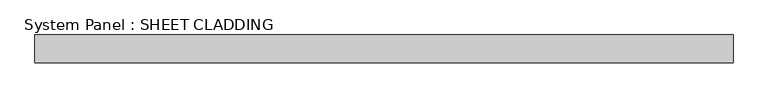
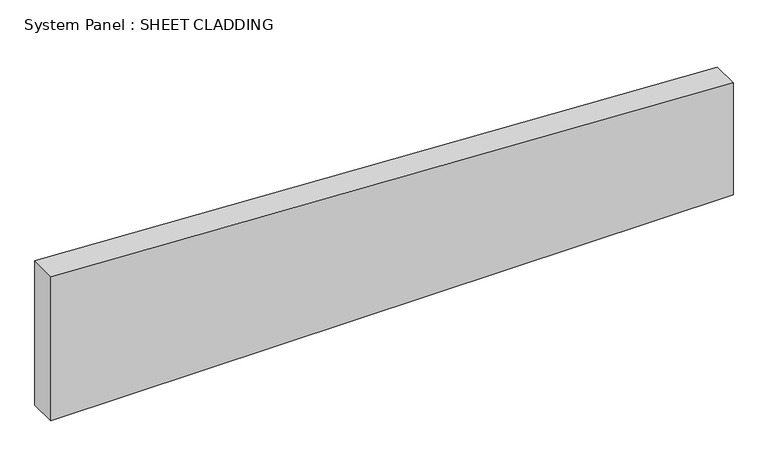
"""IFC4 building model written with IfcOpenShell, lengths in millimetres: plate geometry, System Panel : SHEET CLADDING."""

import ifcopenshell
import ifcopenshell.guid

model = None  # the IFC model being written
_history = None  # IfcOwnerHistory: only IFC2X3 demands one
_inside = {}  # id of a spatial element -> (the spatial element, [elements in it])
_under = {}  # id of a project, library or spatial element -> (it, [spatial elements below it])
_declared = {}  # id of a project -> (the project, [libraries it declares])
_typed = {}  # id of a type object -> (the type object, [elements of that type])
_made_of = {}  # id of a material, layer set ... -> (it, [elements and type objects made of it])


def new_model(schema):
    """Start an empty IFC model of exactly this schema.

    Asked for "IFC4X3", IfcOpenShell would pick the latest addendum, in which some entities
    have other attributes; the version numbers below select the first issue.
    IFC2X3 requires an IfcOwnerHistory on every rooted entity: one is made here for all.
    """
    global model, _history
    if schema == "IFC4X3":
        model = ifcopenshell.file(schema_version=(4, 3, 0, 0))
    else:
        model = ifcopenshell.file(schema=schema)
    _inside.clear()
    _under.clear()
    _declared.clear()
    _typed.clear()
    _made_of.clear()
    _history = None
    if model.schema == "IFC2X3":
        org = make("IfcOrganization", Name="unknown")
        user = make(
            "IfcPersonAndOrganization",
            ThePerson=make("IfcPerson", FamilyName="unknown"),
            TheOrganization=org,
        )
        app = make(
            "IfcApplication",
            ApplicationDeveloper=org,
            Version="unknown",
            ApplicationFullName="unknown",
            ApplicationIdentifier="unknown",
        )
        _history = make(
            "IfcOwnerHistory",
            OwningUser=user,
            OwningApplication=app,
            ChangeAction="ADDED",
            CreationDate=0,
        )
    return model


def make(cls, **values):
    """One entity of the class cls with the attributes given. An attribute that is None is left unset."""
    return model.create_entity(
        cls, **{name: value for name, value in values.items() if value is not None}
    )


def rooted(cls, **values):
    """An entity with a GlobalId (a new one), such as an element, a storey or a relation."""
    return make(cls, GlobalId=ifcopenshell.guid.new(), OwnerHistory=_history, **values)


def si_unit(unit_type, name, prefix=None):
    """IfcSIUnit, for example si_unit("LENGTHUNIT", "METRE", prefix="MILLI")."""
    return make("IfcSIUnit", UnitType=unit_type, Prefix=prefix, Name=name)


def assignment(units):
    """IfcUnitAssignment: the units of a project."""
    return None if units is None else make("IfcUnitAssignment", Units=units)


def point(xyz):
    """IfcCartesianPoint."""
    return None if xyz is None else make("IfcCartesianPoint", Coordinates=xyz)


def direction(xyz):
    """IfcDirection."""
    return None if xyz is None else make("IfcDirection", DirectionRatios=xyz)


def frame(location, z_axis=None, x_axis=None):
    """IfcAxis2Placement3D, a coordinate frame: its origin and axes. An axis left out is left unset."""
    return make(
        "IfcAxis2Placement3D",
        Location=point(location),
        Axis=direction(z_axis),
        RefDirection=direction(x_axis),
    )


def origin():
    """The frame at (0, 0, 0) with its axes left unset."""
    return frame((0.0, 0.0, 0.0))


def place(relative_to, where):
    """IfcLocalPlacement: puts the frame where relative to a parent placement (None: the world)."""
    return make(
        "IfcLocalPlacement", PlacementRelTo=relative_to, RelativePlacement=where
    )


def context(
    kind, dimensions, precision=None, world=None, true_north=None, identifier=None
):
    """IfcGeometricRepresentationContext, for example the 3D "Model" context."""
    return make(
        "IfcGeometricRepresentationContext",
        ContextIdentifier=identifier,
        ContextType=kind,
        CoordinateSpaceDimension=dimensions,
        Precision=precision,
        WorldCoordinateSystem=world,
        TrueNorth=true_north,
    )


def project(units=None, contexts=None):
    """IfcProject with its units and contexts."""
    return rooted(
        "IfcProject",
        Name="project",
        RepresentationContexts=contexts,
        UnitsInContext=assignment(units),
    )


def spatial(cls, under=None, at=None, **own):
    """A site, building, storey or space (cls), placed at a placement, below another one or the project."""
    s = rooted(cls, ObjectPlacement=at, **own)
    if under is not None:
        _under.setdefault(under.id(), (under, []))[1].append(s)
    return s


def polyline(points):
    """IfcPolyline through the points."""
    return make("IfcPolyline", Points=[point(p) for p in points])


def outline(outer, holes=None, kind="AREA"):
    """IfcArbitraryClosedProfileDef: a profile drawn as a closed curve; with holes, ...WithVoids."""
    if holes is None:
        return make("IfcArbitraryClosedProfileDef", ProfileType=kind, OuterCurve=outer)
    return make(
        "IfcArbitraryProfileDefWithVoids",
        ProfileType=kind,
        OuterCurve=outer,
        InnerCurves=holes,
    )


def extrude(swept, where, along, depth):
    """IfcExtrudedAreaSolid: the profile swept, set in the frame where, extruded along a direction by depth."""
    return make(
        "IfcExtrudedAreaSolid",
        SweptArea=swept,
        Position=where,
        ExtrudedDirection=direction(along),
        Depth=depth,
    )


def shape(context_of_items, identifier, shape_type, items):
    """IfcShapeRepresentation: the items that make up one representation, for example the "Body"."""
    return make(
        "IfcShapeRepresentation",
        ContextOfItems=context_of_items,
        RepresentationIdentifier=identifier,
        RepresentationType=shape_type,
        Items=items,
    )


def source(mapping_origin, context_of_items, identifier, shape_type, items):
    """IfcRepresentationMap: a shape defined once, which mapped items show again and again."""
    return make(
        "IfcRepresentationMap",
        MappingOrigin=mapping_origin,
        MappedRepresentation=shape(context_of_items, identifier, shape_type, items),
    )


def transform(
    local_origin,
    x_axis=None,
    y_axis=None,
    z_axis=None,
    scale=None,
    scale2=None,
    scale3=None,
    uniform=True,
):
    """IfcCartesianTransformationOperator3D, or its non-uniform kind. x_axis, y_axis, z_axis: its Axis1, 2, 3."""
    if uniform:
        return make(
            "IfcCartesianTransformationOperator3D",
            Axis1=direction(x_axis),
            Axis2=direction(y_axis),
            LocalOrigin=point(local_origin),
            Scale=scale,
            Axis3=direction(z_axis),
        )
    return make(
        "IfcCartesianTransformationOperator3DnonUniform",
        Axis1=direction(x_axis),
        Axis2=direction(y_axis),
        LocalOrigin=point(local_origin),
        Scale=scale,
        Axis3=direction(z_axis),
        Scale2=scale2,
        Scale3=scale3,
    )


def mapped(mapping_source, mapping_target):
    """IfcMappedItem: shows the shape of a source again, moved by a transform."""
    return make(
        "IfcMappedItem", MappingSource=mapping_source, MappingTarget=mapping_target
    )


def made_of(thing, what):
    """Note that an element or type object is made of a material, layer set ...; save() writes the relation."""
    if what is not None:
        _made_of.setdefault(what.id(), (what, []))[1].append(thing)
    return thing


def element(
    cls,
    number,
    at=None,
    inside=None,
    cuts=None,
    type_object=None,
    material=None,
    context=None,
    identifier="Body",
    shape_type=None,
    held_by="IfcProductDefinitionShape",
    body=None,
    shapes=None,
    **own,
):
    """One element of the class cls, such as IfcWall. Its Tag is "e" and its number.

    at: its placement. inside: the storey or other place that contains it. cuts: it is an
    opening in that element (IfcRelVoidsElement). A single representation is given by context,
    identifier, shape_type and body (its items); several are given by shapes. held_by: the class
    of the entity that holds the representations. save() writes the other relations.
    """
    e = rooted(cls, Tag="e%d" % number, ObjectPlacement=at, **own)
    if body is not None:
        shapes = [shape(context, identifier, shape_type, body)]
    if shapes is not None:
        e.Representation = make(held_by, Representations=shapes)
    if inside is not None:
        _inside.setdefault(inside.id(), (inside, []))[1].append(e)
    if cuts is not None:
        rooted(
            "IfcRelVoidsElement", RelatingBuildingElement=cuts, RelatedOpeningElement=e
        )
    if type_object is not None:
        _typed.setdefault(type_object.id(), (type_object, []))[1].append(e)
    return made_of(e, material)


def aggregate(whole, parts):
    """IfcRelAggregates: a whole, such as a stair, and the parts it consists of."""
    return rooted("IfcRelAggregates", RelatingObject=whole, RelatedObjects=parts)


def save(model, path):
    """Write the relations noted so far, then the file.

    IfcRelAggregates (storeys below a building ...), IfcRelContainedInSpatialStructure (elements
    in a storey), IfcRelDefinesByType, IfcRelAssociatesMaterial and IfcRelDeclares: one each for
    every whole, place, type object, material and project.
    """
    for whole, parts in _under.values():
        aggregate(whole, parts)
    for where, things in _inside.values():
        rooted(
            "IfcRelContainedInSpatialStructure",
            RelatedElements=things,
            RelatingStructure=where,
        )
    for kind, things in _typed.values():
        rooted("IfcRelDefinesByType", RelatedObjects=things, RelatingType=kind)
    for what, things in _made_of.values():
        rooted("IfcRelAssociatesMaterial", RelatedObjects=things, RelatingMaterial=what)
    for by, libraries in _declared.values():
        rooted("IfcRelDeclares", RelatingContext=by, RelatedDefinitions=libraries)
    model.write(path)


def system_panel_sheet_cladding_69743b0c(model_context):
    return source(origin(), model_context, "Body", "SweptSolid", [
        extrude(outline(polyline([(0.0, -750.0), (0.0, 750.0), (260.1, 750.0), (335.1, -750.0), (0.0, -750.0)])), frame((0.0, -49.5, 0.0), z_axis=(0.0, 1.0, 0.0), x_axis=(0.0, 0.0, 1.0)), (0.0, 0.0, 1.0), 60.0),
    ])


if __name__ == "__main__":
    model = new_model("IFC4")
    model_context = context("Model", 3, world=origin())
    ifc_project = project(units=[si_unit("LENGTHUNIT", "METRE", prefix="MILLI")], contexts=[model_context])
    site = spatial("IfcSite", under=ifc_project)
    building = spatial("IfcBuilding", under=site)
    placement = place(None, origin())
    system_panel_sheet_cladding_shape = system_panel_sheet_cladding_69743b0c(model_context)
    element("IfcPlate", 1, ObjectType="System Panel : SHEET CLADDING", at=placement, inside=building, context=model_context, shape_type="MappedRepresentation", body=[
        mapped(system_panel_sheet_cladding_shape, transform((0.0, 0.0, 0.0), x_axis=(1.0, 0.0, 0.0), y_axis=(0.0, 1.0, 0.0), z_axis=(0.0, 0.0, 1.0))),
    ])
    save(model, "model.ifc")
